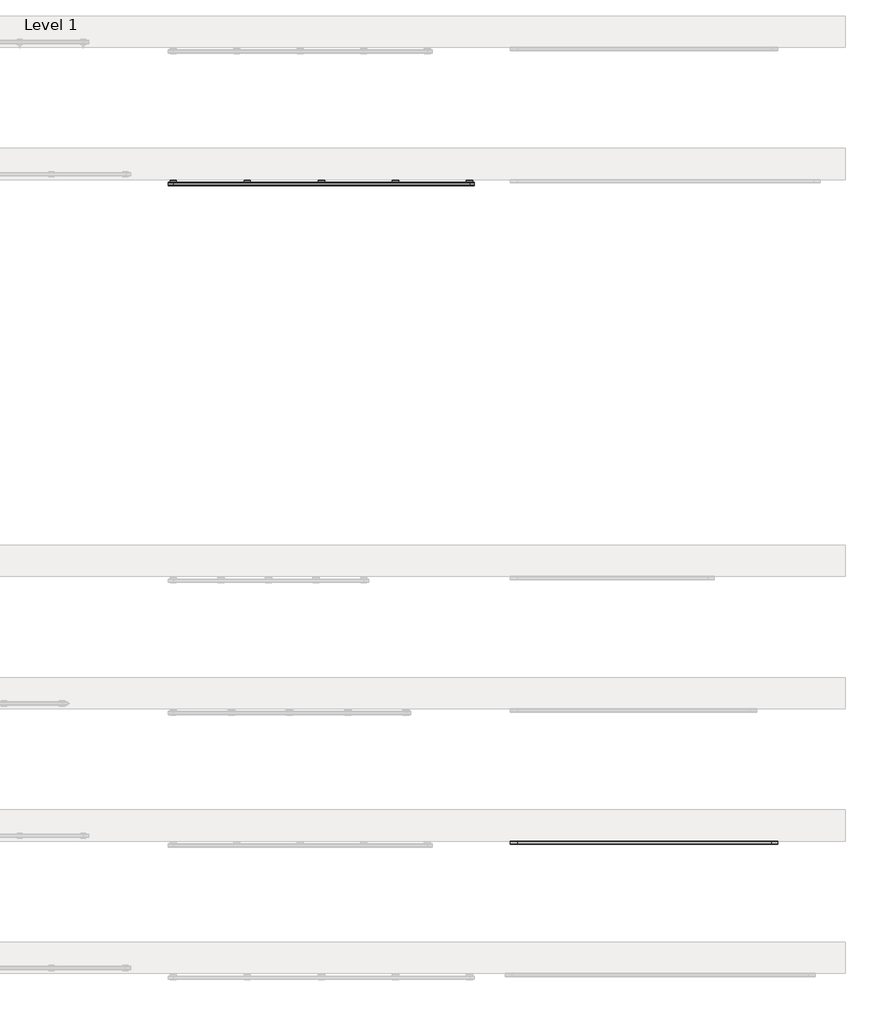
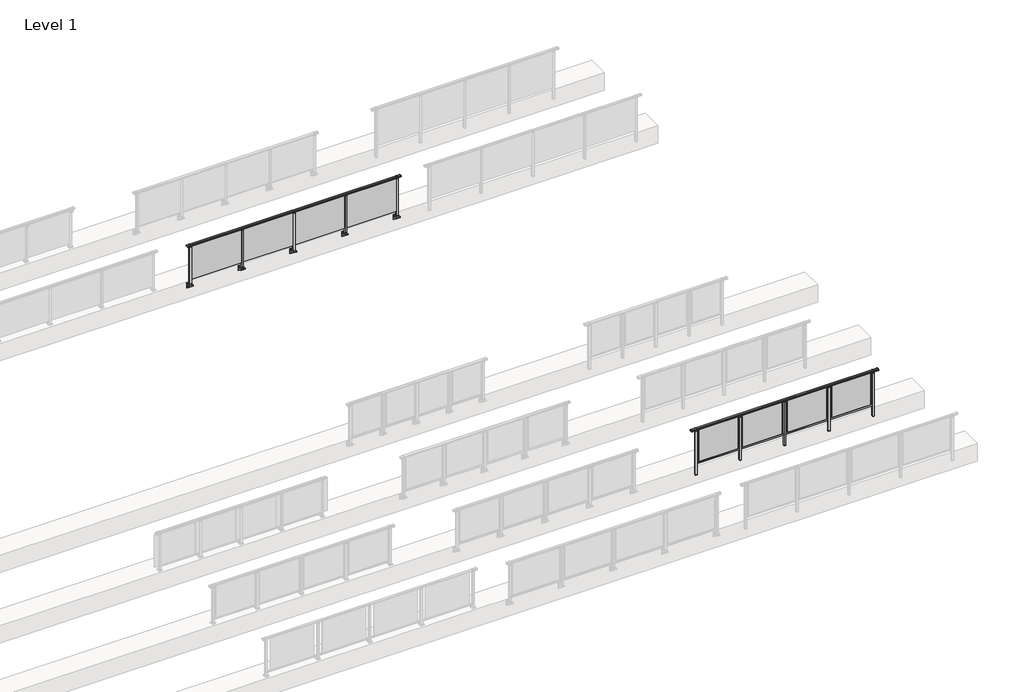
# One storey, part 50 of 64: 2 railings.
"""IFC4 building model written with IfcOpenShell, lengths in millimetres."""

from ifc_helpers import new_model, si_unit, point, frame, frame_2d, origin, place, context, project, spatial, polyline, circle_curve, trimmed, segment, composite_curve, outline, extrude, element, save
from ifc_brep_helpers import plane_surface, cylinder_surface, revolved_surface, advanced_brep

model = new_model("IFC4")

# Units and contexts
model_context = context("Model", 3, world=origin())
ifc_project = project(units=[si_unit("LENGTHUNIT", "METRE", prefix="MILLI")], contexts=[model_context])

# Site, building, storey
site = spatial("IfcSite", under=ifc_project)
building = spatial("IfcBuilding", under=site)
storey = spatial("IfcBuildingStorey", under=building, Name="Level 1", Elevation=0.0)

# Railings
placement = place(None, origin())
element("IfcRailing", 1, at=placement, inside=storey, context=model_context, shape_type="SolidModel", body=[
    advanced_brep(
    [(42910.0, 29842.8633756, 1095.6691182), (42910.0, 29847.6846828, 1081.1334092), (42910.0, 29846.7413744, 1069.2539035), (42910.0, 29848.6364177, 1061.4863007), (42910.0, 29846.9894799, 1060.384124), (42910.0, 29846.9894799, 1062.0), (42910.0, 29788.3798858, 1062.0), (42910.0, 29788.3798858, 1060.384124), (42910.0, 29786.732948, 1061.4863007), (42910.0, 29788.6279912, 1069.2539035), (42910.0, 29787.6846828, 1081.1334092), (42910.0, 29792.50599, 1095.6691182), (48690.0, 29842.8633756, 1095.6691182), (48690.0, 29792.50599, 1095.6691182), (48690.0, 29787.6846828, 1081.1334092), (48690.0, 29788.6279912, 1069.2539035), (48690.0, 29786.732948, 1061.4863007), (48690.0, 29788.3798858, 1060.384124), (48690.0, 29788.3798858, 1062.0), (48690.0, 29846.9894799, 1062.0), (48690.0, 29846.9894799, 1060.384124), (48690.0, 29848.6364177, 1061.4863007), (48690.0, 29846.7413744, 1069.2539035), (48690.0, 29847.6846828, 1081.1334092), (43000.0, 29842.8633756, 1095.6691182), (43000.0, 29847.6846828, 1081.1334092), (43000.0, 29846.7413744, 1069.2539035), (43000.0, 29848.6364177, 1061.4863007), (43000.0, 29846.9894799, 1060.384124), (43000.0, 29846.9894799, 1062.0), (43000.0, 29788.3798858, 1062.0), (43000.0, 29788.3798858, 1060.384124), (43000.0, 29786.732948, 1061.4863007), (43000.0, 29788.6279912, 1069.2539035), (43000.0, 29787.6846828, 1081.1334092), (43000.0, 29792.50599, 1095.6691182), (48600.0, 29842.8633756, 1095.6691182), (48600.0, 29847.6846828, 1081.1334092), (48600.0, 29846.7413744, 1069.2539035), (48600.0, 29848.6364177, 1061.4863007), (48600.0, 29846.9894799, 1060.384124), (48600.0, 29846.9894799, 1062.0), (48600.0, 29788.3798858, 1062.0), (48600.0, 29788.3798858, 1060.384124), (48600.0, 29786.732948, 1061.4863007), (48600.0, 29788.6279912, 1069.2539035), (48600.0, 29787.6846828, 1081.1334092), (48600.0, 29792.50599, 1095.6691182)],
    [
        (0, 1, circle_curve(frame((42910.0, 29839.6223845, 1086.526686), z_axis=(-1.0, 0.0, 0.0), x_axis=(0.0, -1.0, 0.0)), 9.6999015)),
        (1, 2, circle_curve(frame((42910.0, 29865.2252545, 1073.7633709), z_axis=(1.0, 0.0, 0.0), x_axis=(0.0, -1.0, 0.0)), 19.0260117)),
        (2, 3),
        (3, 4, circle_curve(frame((42910.0, 29847.7772073, 1060.9886194), z_axis=(-1.0, 0.0, 0.0), x_axis=(0.0, -1.0, 0.0)), 0.9929396)),
        (4, 5),
        (5, 6),
        (6, 7),
        (7, 8, circle_curve(frame((42910.0, 29787.5921584, 1060.9886194), z_axis=(-1.0, 0.0, 0.0), x_axis=(0.0, 1.0, 0.0)), 0.9929396)),
        (8, 9),
        (9, 10, circle_curve(frame((42910.0, 29770.1441111, 1073.7633709), z_axis=(1.0, 0.0, 0.0), x_axis=(0.0, 1.0, 0.0)), 19.0260117)),
        (10, 11, circle_curve(frame((42910.0, 29795.7469812, 1086.526686), z_axis=(-1.0, 0.0, 0.0), x_axis=(0.0, 1.0, 0.0)), 9.6999015)),
        (11, 0, circle_curve(frame((42910.0, 29817.6846828, 1024.6431628), z_axis=(-1.0, 0.0, 0.0), x_axis=(0.0, 1.0, 0.0)), 75.3568372)),
        (12, 13, circle_curve(frame((48690.0, 29817.6846828, 1024.6431628), z_axis=(1.0, 0.0, 0.0), x_axis=(0.0, 1.0, 0.0)), 75.3568372)),
        (13, 14, circle_curve(frame((48690.0, 29795.7469812, 1086.526686), z_axis=(1.0, 0.0, 0.0), x_axis=(0.0, 1.0, 0.0)), 9.6999015)),
        (14, 15, circle_curve(frame((48690.0, 29770.1441111, 1073.7633709), z_axis=(-1.0, 0.0, 0.0), x_axis=(0.0, 1.0, 0.0)), 19.0260117)),
        (15, 16),
        (16, 17, circle_curve(frame((48690.0, 29787.5921584, 1060.9886194), z_axis=(1.0, 0.0, 0.0), x_axis=(0.0, 1.0, 0.0)), 0.9929396)),
        (17, 18),
        (18, 19),
        (19, 20),
        (20, 21, circle_curve(frame((48690.0, 29847.7772073, 1060.9886194), z_axis=(1.0, 0.0, 0.0), x_axis=(0.0, -1.0, 0.0)), 0.9929396)),
        (21, 22),
        (22, 23, circle_curve(frame((48690.0, 29865.2252545, 1073.7633709), z_axis=(-1.0, 0.0, 0.0), x_axis=(0.0, -1.0, 0.0)), 19.0260117)),
        (23, 12, circle_curve(frame((48690.0, 29839.6223845, 1086.526686), z_axis=(1.0, 0.0, 0.0), x_axis=(0.0, -1.0, 0.0)), 9.6999015)),
        (0, 24),
        (24, 25, circle_curve(frame((43000.0, 29839.6223845, 1086.526686), z_axis=(-1.0, 0.0, 0.0), x_axis=(0.0, -1.0, 0.0)), 9.6999015)),
        (25, 1),
        (25, 26, circle_curve(frame((43000.0, 29865.2252545, 1073.7633709), z_axis=(1.0, 0.0, 0.0), x_axis=(0.0, -1.0, 0.0)), 19.0260117)),
        (26, 2),
        (26, 27),
        (27, 3),
        (27, 28, circle_curve(frame((43000.0, 29847.7772073, 1060.9886194), z_axis=(-1.0, 0.0, 0.0), x_axis=(0.0, -1.0, 0.0)), 0.9929396)),
        (28, 4),
        (28, 29),
        (29, 5),
        (29, 30),
        (30, 6),
        (30, 31),
        (31, 7),
        (31, 32, circle_curve(frame((43000.0, 29787.5921584, 1060.9886194), z_axis=(-1.0, 0.0, 0.0), x_axis=(0.0, 1.0, 0.0)), 0.9929396)),
        (32, 8),
        (32, 33),
        (33, 9),
        (33, 34, circle_curve(frame((43000.0, 29770.1441111, 1073.7633709), z_axis=(1.0, 0.0, 0.0), x_axis=(0.0, 1.0, 0.0)), 19.0260117)),
        (34, 10),
        (34, 35, circle_curve(frame((43000.0, 29795.7469812, 1086.526686), z_axis=(-1.0, 0.0, 0.0), x_axis=(0.0, 1.0, 0.0)), 9.6999015)),
        (35, 11),
        (35, 24, circle_curve(frame((43000.0, 29817.6846828, 1024.6431628), z_axis=(-1.0, 0.0, 0.0), x_axis=(0.0, 1.0, 0.0)), 75.3568372)),
        (24, 36),
        (36, 37, circle_curve(frame((48600.0, 29839.6223845, 1086.526686), z_axis=(-1.0, 0.0, 0.0), x_axis=(0.0, -1.0, 0.0)), 9.6999015)),
        (37, 25),
        (37, 38, circle_curve(frame((48600.0, 29865.2252545, 1073.7633709), z_axis=(1.0, 0.0, 0.0), x_axis=(0.0, -1.0, 0.0)), 19.0260117)),
        (38, 26),
        (38, 39),
        (39, 27),
        (39, 40, circle_curve(frame((48600.0, 29847.7772073, 1060.9886194), z_axis=(-1.0, 0.0, 0.0), x_axis=(0.0, -1.0, 0.0)), 0.9929396)),
        (40, 28),
        (40, 41),
        (41, 29),
        (41, 42),
        (42, 30),
        (42, 43),
        (43, 31),
        (43, 44, circle_curve(frame((48600.0, 29787.5921584, 1060.9886194), z_axis=(-1.0, 0.0, 0.0), x_axis=(0.0, 1.0, 0.0)), 0.9929396)),
        (44, 32),
        (44, 45),
        (45, 33),
        (45, 46, circle_curve(frame((48600.0, 29770.1441111, 1073.7633709), z_axis=(1.0, 0.0, 0.0), x_axis=(0.0, 1.0, 0.0)), 19.0260117)),
        (46, 34),
        (46, 47, circle_curve(frame((48600.0, 29795.7469812, 1086.526686), z_axis=(-1.0, 0.0, 0.0), x_axis=(0.0, 1.0, 0.0)), 9.6999015)),
        (47, 35),
        (47, 36, circle_curve(frame((48600.0, 29817.6846828, 1024.6431628), z_axis=(-1.0, 0.0, 0.0), x_axis=(0.0, 1.0, 0.0)), 75.3568372)),
        (36, 12),
        (23, 37),
        (22, 38),
        (21, 39),
        (20, 40),
        (19, 41),
        (18, 42),
        (17, 43),
        (16, 44),
        (15, 45),
        (14, 46),
        (13, 47),
    ],
    [
        plane_surface(frame((42910.0, 29817.6846828, 1100.0), z_axis=(-1.0, 0.0, 0.0), x_axis=(0.0, 1.0, 0.0))),
        plane_surface(frame((48690.0, 29817.6846828, 1100.0), z_axis=(1.0, 0.0, 0.0), x_axis=(0.0, 1.0, 0.0))),
        cylinder_surface(frame((42910.0, 29839.6223845, 1086.526686), z_axis=(-1.0, 0.0, 0.0), x_axis=(0.0, -1.0, 0.0)), 9.6999015),
        revolved_surface(polyline([(43000.0, 29846.1992428, 1073.7633709), (42910.0, 29846.1992428, 1073.7633709)]), (42910.0, 29865.2252545, 1073.7633709), (1.0, 0.0, 0.0)),
        plane_surface(frame((42910.0, 29846.7413744, 1069.2539035), z_axis=(0.0, 0.9715057689301543, 0.2370159086125439), x_axis=(1.0, 0.0, 0.0))),
        cylinder_surface(frame((42910.0, 29847.7772073, 1060.9886194), z_axis=(-1.0, 0.0, 0.0), x_axis=(0.0, -1.0, 0.0)), 0.9929396),
        plane_surface(frame((42910.0, 29846.9894799, 1060.384124), z_axis=(0.0, -1.0, 0.0), x_axis=(1.0, 0.0, 0.0))),
        plane_surface(frame((42910.0, 29846.9894799, 1062.0), z_axis=(0.0, 0.0, -1.0), x_axis=(1.0, 0.0, 0.0))),
        plane_surface(frame((42910.0, 29788.3798858, 1062.0), z_axis=(0.0, 1.0, 0.0), x_axis=(1.0, 0.0, 0.0))),
        cylinder_surface(frame((42910.0, 29787.5921584, 1060.9886194), z_axis=(-1.0, 0.0, 0.0), x_axis=(0.0, 1.0, 0.0)), 0.9929396),
        plane_surface(frame((42910.0, 29786.732948, 1061.4863007), z_axis=(0.0, -0.9715057689301543, 0.2370159086125439), x_axis=(1.0, 0.0, 0.0))),
        revolved_surface(polyline([(43000.0, 29789.1701228, 1073.7633709), (42910.0, 29789.1701228, 1073.7633709)]), (42910.0, 29770.1441111, 1073.7633709), (1.0, 0.0, 0.0)),
        cylinder_surface(frame((42910.0, 29795.7469812, 1086.526686), z_axis=(-1.0, 0.0, 0.0), x_axis=(0.0, 1.0, 0.0)), 9.6999015),
        cylinder_surface(frame((42910.0, 29817.6846828, 1024.6431628), z_axis=(-1.0, 0.0, 0.0), x_axis=(0.0, 1.0, 0.0)), 75.3568372),
        cylinder_surface(frame((43000.0, 29839.6223845, 1086.526686), z_axis=(-1.0, 0.0, 0.0), x_axis=(0.0, -1.0, 0.0)), 9.6999015),
        revolved_surface(polyline([(48600.0, 29846.1992428, 1073.7633709), (43000.0, 29846.1992428, 1073.7633709)]), (43000.0, 29865.2252545, 1073.7633709), (1.0, 0.0, 0.0)),
        plane_surface(frame((43000.0, 29846.7413744, 1069.2539035), z_axis=(0.0, 0.9715057689301543, 0.2370159086125439), x_axis=(1.0, 0.0, 0.0))),
        cylinder_surface(frame((43000.0, 29847.7772073, 1060.9886194), z_axis=(-1.0, 0.0, 0.0), x_axis=(0.0, -1.0, 0.0)), 0.9929396),
        plane_surface(frame((43000.0, 29846.9894799, 1060.384124), z_axis=(0.0, -1.0, 0.0), x_axis=(1.0, 0.0, 0.0))),
        plane_surface(frame((43000.0, 29846.9894799, 1062.0), z_axis=(0.0, 0.0, -1.0), x_axis=(1.0, 0.0, 0.0))),
        plane_surface(frame((43000.0, 29788.3798858, 1062.0), z_axis=(0.0, 1.0, 0.0), x_axis=(1.0, 0.0, 0.0))),
        cylinder_surface(frame((43000.0, 29787.5921584, 1060.9886194), z_axis=(-1.0, 0.0, 0.0), x_axis=(0.0, 1.0, 0.0)), 0.9929396),
        plane_surface(frame((43000.0, 29786.732948, 1061.4863007), z_axis=(0.0, -0.9715057689301543, 0.2370159086125439), x_axis=(1.0, 0.0, 0.0))),
        revolved_surface(polyline([(48600.0, 29789.1701228, 1073.7633709), (43000.0, 29789.1701228, 1073.7633709)]), (43000.0, 29770.1441111, 1073.7633709), (1.0, 0.0, 0.0)),
        cylinder_surface(frame((43000.0, 29795.7469812, 1086.526686), z_axis=(-1.0, 0.0, 0.0), x_axis=(0.0, 1.0, 0.0)), 9.6999015),
        cylinder_surface(frame((43000.0, 29817.6846828, 1024.6431628), z_axis=(-1.0, 0.0, 0.0), x_axis=(0.0, 1.0, 0.0)), 75.3568372),
        cylinder_surface(frame((48600.0, 29839.6223845, 1086.526686), z_axis=(-1.0, 0.0, 0.0), x_axis=(0.0, -1.0, 0.0)), 9.6999015),
        revolved_surface(polyline([(48690.0, 29846.1992428, 1073.7633709), (48600.0, 29846.1992428, 1073.7633709)]), (48600.0, 29865.2252545, 1073.7633709), (1.0, 0.0, 0.0)),
        plane_surface(frame((48600.0, 29846.7413744, 1069.2539035), z_axis=(0.0, 0.9715057689301543, 0.2370159086125439), x_axis=(1.0, 0.0, 0.0))),
        cylinder_surface(frame((48600.0, 29847.7772073, 1060.9886194), z_axis=(-1.0, 0.0, 0.0), x_axis=(0.0, -1.0, 0.0)), 0.9929396),
        plane_surface(frame((48600.0, 29846.9894799, 1060.384124), z_axis=(0.0, -1.0, 0.0), x_axis=(1.0, 0.0, 0.0))),
        plane_surface(frame((48600.0, 29846.9894799, 1062.0), z_axis=(0.0, 0.0, -1.0), x_axis=(1.0, 0.0, 0.0))),
        plane_surface(frame((48600.0, 29788.3798858, 1062.0), z_axis=(0.0, 1.0, 0.0), x_axis=(1.0, 0.0, 0.0))),
        cylinder_surface(frame((48600.0, 29787.5921584, 1060.9886194), z_axis=(-1.0, 0.0, 0.0), x_axis=(0.0, 1.0, 0.0)), 0.9929396),
        plane_surface(frame((48600.0, 29786.732948, 1061.4863007), z_axis=(0.0, -0.9715057689301543, 0.2370159086125439), x_axis=(1.0, 0.0, 0.0))),
        revolved_surface(polyline([(48690.0, 29789.1701228, 1073.7633709), (48600.0, 29789.1701228, 1073.7633709)]), (48600.0, 29770.1441111, 1073.7633709), (1.0, 0.0, 0.0)),
        cylinder_surface(frame((48600.0, 29795.7469812, 1086.526686), z_axis=(-1.0, 0.0, 0.0), x_axis=(0.0, 1.0, 0.0)), 9.6999015),
        cylinder_surface(frame((48600.0, 29817.6846828, 1024.6431628), z_axis=(-1.0, 0.0, 0.0), x_axis=(0.0, 1.0, 0.0)), 75.3568372),
    ],
    [
        (0, [[1, 2, 3, 4, 5, 6, 7, 8, 9, 10, 11, 12]]),
        (1, [[13, 14, 15, 16, 17, 18, 19, 20, 21, 22, 23, 24]]),
        (2, [[-1, 25, 26, 27]]),
        (3, [[-2, -27, 28, 29]]),
        (4, [[-3, -29, 30, 31]]),
        (5, [[-4, -31, 32, 33]]),
        (6, [[-5, -33, 34, 35]]),
        (7, [[-6, -35, 36, 37]]),
        (8, [[-7, -37, 38, 39]]),
        (9, [[-8, -39, 40, 41]]),
        (10, [[-9, -41, 42, 43]]),
        (11, [[-10, -43, 44, 45]]),
        (12, [[-11, -45, 46, 47]]),
        (13, [[-12, -47, 48, -25]]),
        (14, [[-26, 49, 50, 51]]),
        (15, [[-28, -51, 52, 53]]),
        (16, [[-30, -53, 54, 55]]),
        (17, [[-32, -55, 56, 57]]),
        (18, [[-34, -57, 58, 59]]),
        (19, [[-36, -59, 60, 61]]),
        (20, [[-38, -61, 62, 63]]),
        (21, [[-40, -63, 64, 65]]),
        (22, [[-42, -65, 66, 67]]),
        (23, [[-44, -67, 68, 69]]),
        (24, [[-46, -69, 70, 71]]),
        (25, [[-48, -71, 72, -49]]),
        (26, [[-50, 73, -24, 74]]),
        (27, [[-52, -74, -23, 75]]),
        (28, [[-54, -75, -22, 76]]),
        (29, [[-56, -76, -21, 77]]),
        (30, [[-58, -77, -20, 78]]),
        (31, [[-60, -78, -19, 79]]),
        (32, [[-62, -79, -18, 80]]),
        (33, [[-64, -80, -17, 81]]),
        (34, [[-66, -81, -16, 82]]),
        (35, [[-68, -82, -15, 83]]),
        (36, [[-70, -83, -14, 84]]),
        (37, [[-72, -84, -13, -73]]),
    ],
),
    extrude(outline(polyline([(47210.0, 29811.9094929), (47210.0, 29821.9094929), (48590.0, 29821.9094929), (48590.0, 29811.9094929), (47210.0, 29811.9094929)])), frame((0.0, 0.0, 95.0), z_axis=(0.0, 0.0, 1.0), x_axis=(1.0, 0.0, 0.0)), (0.0, 0.0, 1.0), 960.0),
    extrude(outline(composite_curve([segment(polyline([(29850.1846828, -70.0), (29884.1846828, -63.0), (29884.1846828, -32.5), (29900.1846828, -32.5), (29900.1846828, -167.5), (29884.1846828, -167.5), (29884.1846828, -113.5)]), True, "CONTINUOUS"), segment(trimmed(circle_curve(frame_2d((29864.1846828, -113.5)), 20.0), [point((29884.1846828, -113.5))], [point((29864.1846828, -93.5))], True, "CARTESIAN"), True, "CONTINUOUS"), segment(polyline([(29864.1846828, -93.5), (29780.1846828, -93.5), (29780.1846828, -70.0), (29850.1846828, -70.0)]), True, "CONTINUOUS")], self_intersect=False)), frame((47140.0, 0.0, 0.0), z_axis=(1.0, 0.0, 0.0), x_axis=(0.0, 1.0, 0.0)), (0.0, 0.0, 1.0), 120.0),
    extrude(outline(polyline([(47222.5, 29840.1846828), (47222.5, 29795.1846828), (47177.5, 29795.1846828), (47177.5, 29840.1846828), (47222.5, 29840.1846828)])), frame((0.0, 0.0, -70.0), z_axis=(0.0, 0.0, 1.0), x_axis=(1.0, 0.0, 0.0)), (0.0, 0.0, 1.0), 1097.0),
    extrude(outline(polyline([(47210.0, 29827.6846828), (47210.0, 29807.6846828), (47190.0, 29807.6846828), (47190.0, 29827.6846828), (47210.0, 29827.6846828)])), frame((0.0, 0.0, 1035.0), z_axis=(0.0, 0.0, 1.0), x_axis=(1.0, 0.0, 0.0)), (0.0, 0.0, 1.0), 20.0),
    extrude(outline(polyline([(47222.5, 29840.1846828), (47222.5, 29795.1846828), (47177.5, 29795.1846828), (47177.5, 29840.1846828), (47222.5, 29840.1846828)])), frame((0.0, 0.0, 1027.0), z_axis=(0.0, 0.0, 1.0), x_axis=(1.0, 0.0, 0.0)), (0.0, 0.0, 1.0), 8.0),
    extrude(outline(polyline([(45810.0, 29811.9094929), (45810.0, 29821.9094929), (47190.0, 29821.9094929), (47190.0, 29811.9094929), (45810.0, 29811.9094929)])), frame((0.0, 0.0, 95.0), z_axis=(0.0, 0.0, 1.0), x_axis=(1.0, 0.0, 0.0)), (0.0, 0.0, 1.0), 960.0),
    extrude(outline(composite_curve([segment(polyline([(29850.1846828, -70.0), (29884.1846828, -63.0), (29884.1846828, -32.5), (29900.1846828, -32.5), (29900.1846828, -167.5), (29884.1846828, -167.5), (29884.1846828, -113.5)]), True, "CONTINUOUS"), segment(trimmed(circle_curve(frame_2d((29864.1846828, -113.5)), 20.0), [point((29884.1846828, -113.5))], [point((29864.1846828, -93.5))], True, "CARTESIAN"), True, "CONTINUOUS"), segment(polyline([(29864.1846828, -93.5), (29780.1846828, -93.5), (29780.1846828, -70.0), (29850.1846828, -70.0)]), True, "CONTINUOUS")], self_intersect=False)), frame((45740.0, 0.0, 0.0), z_axis=(1.0, 0.0, 0.0), x_axis=(0.0, 1.0, 0.0)), (0.0, 0.0, 1.0), 120.0),
    extrude(outline(polyline([(45822.5, 29840.1846828), (45822.5, 29795.1846828), (45777.5, 29795.1846828), (45777.5, 29840.1846828), (45822.5, 29840.1846828)])), frame((0.0, 0.0, -70.0), z_axis=(0.0, 0.0, 1.0), x_axis=(1.0, 0.0, 0.0)), (0.0, 0.0, 1.0), 1097.0),
    extrude(outline(polyline([(45810.0, 29827.6846828), (45810.0, 29807.6846828), (45790.0, 29807.6846828), (45790.0, 29827.6846828), (45810.0, 29827.6846828)])), frame((0.0, 0.0, 1035.0), z_axis=(0.0, 0.0, 1.0), x_axis=(1.0, 0.0, 0.0)), (0.0, 0.0, 1.0), 20.0),
    extrude(outline(polyline([(45822.5, 29840.1846828), (45822.5, 29795.1846828), (45777.5, 29795.1846828), (45777.5, 29840.1846828), (45822.5, 29840.1846828)])), frame((0.0, 0.0, 1027.0), z_axis=(0.0, 0.0, 1.0), x_axis=(1.0, 0.0, 0.0)), (0.0, 0.0, 1.0), 8.0),
    extrude(outline(polyline([(44410.0, 29811.9094929), (44410.0, 29821.9094929), (45790.0, 29821.9094929), (45790.0, 29811.9094929), (44410.0, 29811.9094929)])), frame((0.0, 0.0, 95.0), z_axis=(0.0, 0.0, 1.0), x_axis=(1.0, 0.0, 0.0)), (0.0, 0.0, 1.0), 960.0),
    extrude(outline(composite_curve([segment(polyline([(29850.1846828, -70.0), (29884.1846828, -63.0), (29884.1846828, -32.5), (29900.1846828, -32.5), (29900.1846828, -167.5), (29884.1846828, -167.5), (29884.1846828, -113.5)]), True, "CONTINUOUS"), segment(trimmed(circle_curve(frame_2d((29864.1846828, -113.5)), 20.0), [point((29884.1846828, -113.5))], [point((29864.1846828, -93.5))], True, "CARTESIAN"), True, "CONTINUOUS"), segment(polyline([(29864.1846828, -93.5), (29780.1846828, -93.5), (29780.1846828, -70.0), (29850.1846828, -70.0)]), True, "CONTINUOUS")], self_intersect=False)), frame((44340.0, 0.0, 0.0), z_axis=(1.0, 0.0, 0.0), x_axis=(0.0, 1.0, 0.0)), (0.0, 0.0, 1.0), 120.0),
    extrude(outline(polyline([(44422.5, 29840.1846828), (44422.5, 29795.1846828), (44377.5, 29795.1846828), (44377.5, 29840.1846828), (44422.5, 29840.1846828)])), frame((0.0, 0.0, -70.0), z_axis=(0.0, 0.0, 1.0), x_axis=(1.0, 0.0, 0.0)), (0.0, 0.0, 1.0), 1097.0),
    extrude(outline(polyline([(44410.0, 29827.6846828), (44410.0, 29807.6846828), (44390.0, 29807.6846828), (44390.0, 29827.6846828), (44410.0, 29827.6846828)])), frame((0.0, 0.0, 1035.0), z_axis=(0.0, 0.0, 1.0), x_axis=(1.0, 0.0, 0.0)), (0.0, 0.0, 1.0), 20.0),
    extrude(outline(polyline([(44422.5, 29840.1846828), (44422.5, 29795.1846828), (44377.5, 29795.1846828), (44377.5, 29840.1846828), (44422.5, 29840.1846828)])), frame((0.0, 0.0, 1027.0), z_axis=(0.0, 0.0, 1.0), x_axis=(1.0, 0.0, 0.0)), (0.0, 0.0, 1.0), 8.0),
    extrude(outline(polyline([(43010.0, 29811.9094929), (43010.0, 29821.9094929), (44390.0, 29821.9094929), (44390.0, 29811.9094929), (43010.0, 29811.9094929)])), frame((0.0, 0.0, 95.0), z_axis=(0.0, 0.0, 1.0), x_axis=(1.0, 0.0, 0.0)), (0.0, 0.0, 1.0), 960.0),
    extrude(outline(composite_curve([segment(polyline([(29850.1846828, -70.0), (29884.1846828, -63.0), (29884.1846828, -32.5), (29900.1846828, -32.5), (29900.1846828, -167.5), (29884.1846828, -167.5), (29884.1846828, -113.5)]), True, "CONTINUOUS"), segment(trimmed(circle_curve(frame_2d((29864.1846828, -113.5)), 20.0), [point((29884.1846828, -113.5))], [point((29864.1846828, -93.5))], True, "CARTESIAN"), True, "CONTINUOUS"), segment(polyline([(29864.1846828, -93.5), (29780.1846828, -93.5), (29780.1846828, -70.0), (29850.1846828, -70.0)]), True, "CONTINUOUS")], self_intersect=False)), frame((48540.0, 0.0, 0.0), z_axis=(1.0, 0.0, 0.0), x_axis=(0.0, 1.0, 0.0)), (0.0, 0.0, 1.0), 120.0),
    extrude(outline(polyline([(48622.5, 29840.1846828), (48622.5, 29795.1846828), (48577.5, 29795.1846828), (48577.5, 29840.1846828), (48622.5, 29840.1846828)])), frame((0.0, 0.0, -70.0), z_axis=(0.0, 0.0, 1.0), x_axis=(1.0, 0.0, 0.0)), (0.0, 0.0, 1.0), 1097.0),
    extrude(outline(polyline([(48610.0, 29827.6846828), (48610.0, 29807.6846828), (48590.0, 29807.6846828), (48590.0, 29827.6846828), (48610.0, 29827.6846828)])), frame((0.0, 0.0, 1035.0), z_axis=(0.0, 0.0, 1.0), x_axis=(1.0, 0.0, 0.0)), (0.0, 0.0, 1.0), 20.0),
    extrude(outline(polyline([(48622.5, 29840.1846828), (48622.5, 29795.1846828), (48577.5, 29795.1846828), (48577.5, 29840.1846828), (48622.5, 29840.1846828)])), frame((0.0, 0.0, 1027.0), z_axis=(0.0, 0.0, 1.0), x_axis=(1.0, 0.0, 0.0)), (0.0, 0.0, 1.0), 8.0),
    extrude(outline(composite_curve([segment(polyline([(29850.1846828, -70.0), (29884.1846828, -63.0), (29884.1846828, -32.5), (29900.1846828, -32.5), (29900.1846828, -167.5), (29884.1846828, -167.5), (29884.1846828, -113.5)]), True, "CONTINUOUS"), segment(trimmed(circle_curve(frame_2d((29864.1846828, -113.5)), 20.0), [point((29884.1846828, -113.5))], [point((29864.1846828, -93.5))], True, "CARTESIAN"), True, "CONTINUOUS"), segment(polyline([(29864.1846828, -93.5), (29780.1846828, -93.5), (29780.1846828, -70.0), (29850.1846828, -70.0)]), True, "CONTINUOUS")], self_intersect=False)), frame((42940.0, 0.0, 0.0), z_axis=(1.0, 0.0, 0.0), x_axis=(0.0, 1.0, 0.0)), (0.0, 0.0, 1.0), 120.0),
    extrude(outline(polyline([(43022.5, 29840.1846828), (43022.5, 29795.1846828), (42977.5, 29795.1846828), (42977.5, 29840.1846828), (43022.5, 29840.1846828)])), frame((0.0, 0.0, -70.0), z_axis=(0.0, 0.0, 1.0), x_axis=(1.0, 0.0, 0.0)), (0.0, 0.0, 1.0), 1097.0),
    extrude(outline(polyline([(43010.0, 29827.6846828), (43010.0, 29807.6846828), (42990.0, 29807.6846828), (42990.0, 29827.6846828), (43010.0, 29827.6846828)])), frame((0.0, 0.0, 1035.0), z_axis=(0.0, 0.0, 1.0), x_axis=(1.0, 0.0, 0.0)), (0.0, 0.0, 1.0), 20.0),
    extrude(outline(polyline([(43022.5, 29840.1846828), (43022.5, 29795.1846828), (42977.5, 29795.1846828), (42977.5, 29840.1846828), (43022.5, 29840.1846828)])), frame((0.0, 0.0, 1027.0), z_axis=(0.0, 0.0, 1.0), x_axis=(1.0, 0.0, 0.0)), (0.0, 0.0, 1.0), 8.0),
])
element("IfcRailing", 2, at=placement, inside=storey, context=model_context, shape_type="SolidModel", body=[
    advanced_brep(
    [(49372.5, 17392.8633756, 1095.6691182), (49372.5, 17397.6846828, 1081.1334092), (49372.5, 17396.7413744, 1069.2539035), (49372.5, 17398.6364177, 1061.4863007), (49372.5, 17396.9894799, 1060.384124), (49372.5, 17396.9894799, 1062.0), (49372.5, 17338.3798858, 1062.0), (49372.5, 17338.3798858, 1060.384124), (49372.5, 17336.732948, 1061.4863007), (49372.5, 17338.6279912, 1069.2539035), (49372.5, 17337.6846828, 1081.1334092), (49372.5, 17342.50599, 1095.6691182), (54427.5, 17392.8633756, 1095.6691182), (54427.5, 17342.50599, 1095.6691182), (54427.5, 17337.6846828, 1081.1334092), (54427.5, 17338.6279912, 1069.2539035), (54427.5, 17336.732948, 1061.4863007), (54427.5, 17338.3798858, 1060.384124), (54427.5, 17338.3798858, 1062.0), (54427.5, 17396.9894799, 1062.0), (54427.5, 17396.9894799, 1060.384124), (54427.5, 17398.6364177, 1061.4863007), (54427.5, 17396.7413744, 1069.2539035), (54427.5, 17397.6846828, 1081.1334092), (49500.0, 17392.8633756, 1095.6691182), (49500.0, 17397.6846828, 1081.1334092), (49500.0, 17396.7413744, 1069.2539035), (49500.0, 17398.6364177, 1061.4863007), (49500.0, 17396.9894799, 1060.384124), (49500.0, 17396.9894799, 1062.0), (49500.0, 17338.3798858, 1062.0), (49500.0, 17338.3798858, 1060.384124), (49500.0, 17336.732948, 1061.4863007), (49500.0, 17338.6279912, 1069.2539035), (49500.0, 17337.6846828, 1081.1334092), (49500.0, 17342.50599, 1095.6691182), (54300.0, 17392.8633756, 1095.6691182), (54300.0, 17397.6846828, 1081.1334092), (54300.0, 17396.7413744, 1069.2539035), (54300.0, 17398.6364177, 1061.4863007), (54300.0, 17396.9894799, 1060.384124), (54300.0, 17396.9894799, 1062.0), (54300.0, 17338.3798858, 1062.0), (54300.0, 17338.3798858, 1060.384124), (54300.0, 17336.732948, 1061.4863007), (54300.0, 17338.6279912, 1069.2539035), (54300.0, 17337.6846828, 1081.1334092), (54300.0, 17342.50599, 1095.6691182)],
    [
        (0, 1, circle_curve(frame((49372.5, 17389.6223845, 1086.526686), z_axis=(-1.0, 0.0, 0.0), x_axis=(0.0, -1.0, 0.0)), 9.6999015)),
        (1, 2, circle_curve(frame((49372.5, 17415.2252545, 1073.7633709), z_axis=(1.0, 0.0, 0.0), x_axis=(0.0, -1.0, 0.0)), 19.0260117)),
        (2, 3),
        (3, 4, circle_curve(frame((49372.5, 17397.7772073, 1060.9886194), z_axis=(-1.0, 0.0, 0.0), x_axis=(0.0, -1.0, 0.0)), 0.9929396)),
        (4, 5),
        (5, 6),
        (6, 7),
        (7, 8, circle_curve(frame((49372.5, 17337.5921584, 1060.9886194), z_axis=(-1.0, 0.0, 0.0), x_axis=(0.0, 1.0, 0.0)), 0.9929396)),
        (8, 9),
        (9, 10, circle_curve(frame((49372.5, 17320.1441111, 1073.7633709), z_axis=(1.0, 0.0, 0.0), x_axis=(0.0, 1.0, 0.0)), 19.0260117)),
        (10, 11, circle_curve(frame((49372.5, 17345.7469812, 1086.526686), z_axis=(-1.0, 0.0, 0.0), x_axis=(0.0, 1.0, 0.0)), 9.6999015)),
        (11, 0, circle_curve(frame((49372.5, 17367.6846828, 1024.6431628), z_axis=(-1.0, 0.0, 0.0), x_axis=(0.0, 1.0, 0.0)), 75.3568372)),
        (12, 13, circle_curve(frame((54427.5, 17367.6846828, 1024.6431628), z_axis=(1.0, 0.0, 0.0), x_axis=(0.0, 1.0, 0.0)), 75.3568372)),
        (13, 14, circle_curve(frame((54427.5, 17345.7469812, 1086.526686), z_axis=(1.0, 0.0, 0.0), x_axis=(0.0, 1.0, 0.0)), 9.6999015)),
        (14, 15, circle_curve(frame((54427.5, 17320.1441111, 1073.7633709), z_axis=(-1.0, 0.0, 0.0), x_axis=(0.0, 1.0, 0.0)), 19.0260117)),
        (15, 16),
        (16, 17, circle_curve(frame((54427.5, 17337.5921584, 1060.9886194), z_axis=(1.0, 0.0, 0.0), x_axis=(0.0, 1.0, 0.0)), 0.9929396)),
        (17, 18),
        (18, 19),
        (19, 20),
        (20, 21, circle_curve(frame((54427.5, 17397.7772073, 1060.9886194), z_axis=(1.0, 0.0, 0.0), x_axis=(0.0, -1.0, 0.0)), 0.9929396)),
        (21, 22),
        (22, 23, circle_curve(frame((54427.5, 17415.2252545, 1073.7633709), z_axis=(-1.0, 0.0, 0.0), x_axis=(0.0, -1.0, 0.0)), 19.0260117)),
        (23, 12, circle_curve(frame((54427.5, 17389.6223845, 1086.526686), z_axis=(1.0, 0.0, 0.0), x_axis=(0.0, -1.0, 0.0)), 9.6999015)),
        (0, 24),
        (24, 25, circle_curve(frame((49500.0, 17389.6223845, 1086.526686), z_axis=(-1.0, 0.0, 0.0), x_axis=(0.0, -1.0, 0.0)), 9.6999015)),
        (25, 1),
        (25, 26, circle_curve(frame((49500.0, 17415.2252545, 1073.7633709), z_axis=(1.0, 0.0, 0.0), x_axis=(0.0, -1.0, 0.0)), 19.0260117)),
        (26, 2),
        (26, 27),
        (27, 3),
        (27, 28, circle_curve(frame((49500.0, 17397.7772073, 1060.9886194), z_axis=(-1.0, 0.0, 0.0), x_axis=(0.0, -1.0, 0.0)), 0.9929396)),
        (28, 4),
        (28, 29),
        (29, 5),
        (29, 30),
        (30, 6),
        (30, 31),
        (31, 7),
        (31, 32, circle_curve(frame((49500.0, 17337.5921584, 1060.9886194), z_axis=(-1.0, 0.0, 0.0), x_axis=(0.0, 1.0, 0.0)), 0.9929396)),
        (32, 8),
        (32, 33),
        (33, 9),
        (33, 34, circle_curve(frame((49500.0, 17320.1441111, 1073.7633709), z_axis=(1.0, 0.0, 0.0), x_axis=(0.0, 1.0, 0.0)), 19.0260117)),
        (34, 10),
        (34, 35, circle_curve(frame((49500.0, 17345.7469812, 1086.526686), z_axis=(-1.0, 0.0, 0.0), x_axis=(0.0, 1.0, 0.0)), 9.6999015)),
        (35, 11),
        (35, 24, circle_curve(frame((49500.0, 17367.6846828, 1024.6431628), z_axis=(-1.0, 0.0, 0.0), x_axis=(0.0, 1.0, 0.0)), 75.3568372)),
        (24, 36),
        (36, 37, circle_curve(frame((54300.0, 17389.6223845, 1086.526686), z_axis=(-1.0, 0.0, 0.0), x_axis=(0.0, -1.0, 0.0)), 9.6999015)),
        (37, 25),
        (37, 38, circle_curve(frame((54300.0, 17415.2252545, 1073.7633709), z_axis=(1.0, 0.0, 0.0), x_axis=(0.0, -1.0, 0.0)), 19.0260117)),
        (38, 26),
        (38, 39),
        (39, 27),
        (39, 40, circle_curve(frame((54300.0, 17397.7772073, 1060.9886194), z_axis=(-1.0, 0.0, 0.0), x_axis=(0.0, -1.0, 0.0)), 0.9929396)),
        (40, 28),
        (40, 41),
        (41, 29),
        (41, 42),
        (42, 30),
        (42, 43),
        (43, 31),
        (43, 44, circle_curve(frame((54300.0, 17337.5921584, 1060.9886194), z_axis=(-1.0, 0.0, 0.0), x_axis=(0.0, 1.0, 0.0)), 0.9929396)),
        (44, 32),
        (44, 45),
        (45, 33),
        (45, 46, circle_curve(frame((54300.0, 17320.1441111, 1073.7633709), z_axis=(1.0, 0.0, 0.0), x_axis=(0.0, 1.0, 0.0)), 19.0260117)),
        (46, 34),
        (46, 47, circle_curve(frame((54300.0, 17345.7469812, 1086.526686), z_axis=(-1.0, 0.0, 0.0), x_axis=(0.0, 1.0, 0.0)), 9.6999015)),
        (47, 35),
        (47, 36, circle_curve(frame((54300.0, 17367.6846828, 1024.6431628), z_axis=(-1.0, 0.0, 0.0), x_axis=(0.0, 1.0, 0.0)), 75.3568372)),
        (36, 12),
        (23, 37),
        (22, 38),
        (21, 39),
        (20, 40),
        (19, 41),
        (18, 42),
        (17, 43),
        (16, 44),
        (15, 45),
        (14, 46),
        (13, 47),
    ],
    [
        plane_surface(frame((49372.5, 17367.6846828, 1100.0), z_axis=(-1.0, 0.0, 0.0), x_axis=(0.0, 1.0, 0.0))),
        plane_surface(frame((54427.5, 17367.6846828, 1100.0), z_axis=(1.0, 0.0, 0.0), x_axis=(0.0, 1.0, 0.0))),
        cylinder_surface(frame((49372.5, 17389.6223845, 1086.526686), z_axis=(-1.0, 0.0, 0.0), x_axis=(0.0, -1.0, 0.0)), 9.6999015),
        revolved_surface(polyline([(49500.0, 17396.1992428, 1073.7633709), (49372.5, 17396.1992428, 1073.7633709)]), (49372.5, 17415.2252545, 1073.7633709), (1.0, 0.0, 0.0)),
        plane_surface(frame((49372.5, 17396.7413744, 1069.2539035), z_axis=(0.0, 0.9715057689301543, 0.2370159086125439), x_axis=(1.0, 0.0, 0.0))),
        cylinder_surface(frame((49372.5, 17397.7772073, 1060.9886194), z_axis=(-1.0, 0.0, 0.0), x_axis=(0.0, -1.0, 0.0)), 0.9929396),
        plane_surface(frame((49372.5, 17396.9894799, 1060.384124), z_axis=(0.0, -1.0, 0.0), x_axis=(1.0, 0.0, 0.0))),
        plane_surface(frame((49372.5, 17396.9894799, 1062.0), z_axis=(0.0, 0.0, -1.0), x_axis=(1.0, 0.0, 0.0))),
        plane_surface(frame((49372.5, 17338.3798858, 1062.0), z_axis=(0.0, 1.0, 0.0), x_axis=(1.0, 0.0, 0.0))),
        cylinder_surface(frame((49372.5, 17337.5921584, 1060.9886194), z_axis=(-1.0, 0.0, 0.0), x_axis=(0.0, 1.0, 0.0)), 0.9929396),
        plane_surface(frame((49372.5, 17336.732948, 1061.4863007), z_axis=(0.0, -0.9715057689301543, 0.2370159086125439), x_axis=(1.0, 0.0, 0.0))),
        revolved_surface(polyline([(49500.0, 17339.1701228, 1073.7633709), (49372.5, 17339.1701228, 1073.7633709)]), (49372.5, 17320.1441111, 1073.7633709), (1.0, 0.0, 0.0)),
        cylinder_surface(frame((49372.5, 17345.7469812, 1086.526686), z_axis=(-1.0, 0.0, 0.0), x_axis=(0.0, 1.0, 0.0)), 9.6999015),
        cylinder_surface(frame((49372.5, 17367.6846828, 1024.6431628), z_axis=(-1.0, 0.0, 0.0), x_axis=(0.0, 1.0, 0.0)), 75.3568372),
        cylinder_surface(frame((49500.0, 17389.6223845, 1086.526686), z_axis=(-1.0, 0.0, 0.0), x_axis=(0.0, -1.0, 0.0)), 9.6999015),
        revolved_surface(polyline([(54300.0, 17396.1992428, 1073.7633709), (49500.0, 17396.1992428, 1073.7633709)]), (49500.0, 17415.2252545, 1073.7633709), (1.0, 0.0, 0.0)),
        plane_surface(frame((49500.0, 17396.7413744, 1069.2539035), z_axis=(0.0, 0.9715057689301543, 0.2370159086125439), x_axis=(1.0, 0.0, 0.0))),
        cylinder_surface(frame((49500.0, 17397.7772073, 1060.9886194), z_axis=(-1.0, 0.0, 0.0), x_axis=(0.0, -1.0, 0.0)), 0.9929396),
        plane_surface(frame((49500.0, 17396.9894799, 1060.384124), z_axis=(0.0, -1.0, 0.0), x_axis=(1.0, 0.0, 0.0))),
        plane_surface(frame((49500.0, 17396.9894799, 1062.0), z_axis=(0.0, 0.0, -1.0), x_axis=(1.0, 0.0, 0.0))),
        plane_surface(frame((49500.0, 17338.3798858, 1062.0), z_axis=(0.0, 1.0, 0.0), x_axis=(1.0, 0.0, 0.0))),
        cylinder_surface(frame((49500.0, 17337.5921584, 1060.9886194), z_axis=(-1.0, 0.0, 0.0), x_axis=(0.0, 1.0, 0.0)), 0.9929396),
        plane_surface(frame((49500.0, 17336.732948, 1061.4863007), z_axis=(0.0, -0.9715057689301543, 0.2370159086125439), x_axis=(1.0, 0.0, 0.0))),
        revolved_surface(polyline([(54300.0, 17339.1701228, 1073.7633709), (49500.0, 17339.1701228, 1073.7633709)]), (49500.0, 17320.1441111, 1073.7633709), (1.0, 0.0, 0.0)),
        cylinder_surface(frame((49500.0, 17345.7469812, 1086.526686), z_axis=(-1.0, 0.0, 0.0), x_axis=(0.0, 1.0, 0.0)), 9.6999015),
        cylinder_surface(frame((49500.0, 17367.6846828, 1024.6431628), z_axis=(-1.0, 0.0, 0.0), x_axis=(0.0, 1.0, 0.0)), 75.3568372),
        cylinder_surface(frame((54300.0, 17389.6223845, 1086.526686), z_axis=(-1.0, 0.0, 0.0), x_axis=(0.0, -1.0, 0.0)), 9.6999015),
        revolved_surface(polyline([(54427.5, 17396.1992428, 1073.7633709), (54300.0, 17396.1992428, 1073.7633709)]), (54300.0, 17415.2252545, 1073.7633709), (1.0, 0.0, 0.0)),
        plane_surface(frame((54300.0, 17396.7413744, 1069.2539035), z_axis=(0.0, 0.9715057689301543, 0.2370159086125439), x_axis=(1.0, 0.0, 0.0))),
        cylinder_surface(frame((54300.0, 17397.7772073, 1060.9886194), z_axis=(-1.0, 0.0, 0.0), x_axis=(0.0, -1.0, 0.0)), 0.9929396),
        plane_surface(frame((54300.0, 17396.9894799, 1060.384124), z_axis=(0.0, -1.0, 0.0), x_axis=(1.0, 0.0, 0.0))),
        plane_surface(frame((54300.0, 17396.9894799, 1062.0), z_axis=(0.0, 0.0, -1.0), x_axis=(1.0, 0.0, 0.0))),
        plane_surface(frame((54300.0, 17338.3798858, 1062.0), z_axis=(0.0, 1.0, 0.0), x_axis=(1.0, 0.0, 0.0))),
        cylinder_surface(frame((54300.0, 17337.5921584, 1060.9886194), z_axis=(-1.0, 0.0, 0.0), x_axis=(0.0, 1.0, 0.0)), 0.9929396),
        plane_surface(frame((54300.0, 17336.732948, 1061.4863007), z_axis=(0.0, -0.9715057689301543, 0.2370159086125439), x_axis=(1.0, 0.0, 0.0))),
        revolved_surface(polyline([(54427.5, 17339.1701228, 1073.7633709), (54300.0, 17339.1701228, 1073.7633709)]), (54300.0, 17320.1441111, 1073.7633709), (1.0, 0.0, 0.0)),
        cylinder_surface(frame((54300.0, 17345.7469812, 1086.526686), z_axis=(-1.0, 0.0, 0.0), x_axis=(0.0, 1.0, 0.0)), 9.6999015),
        cylinder_surface(frame((54300.0, 17367.6846828, 1024.6431628), z_axis=(-1.0, 0.0, 0.0), x_axis=(0.0, 1.0, 0.0)), 75.3568372),
    ],
    [
        (0, [[1, 2, 3, 4, 5, 6, 7, 8, 9, 10, 11, 12]]),
        (1, [[13, 14, 15, 16, 17, 18, 19, 20, 21, 22, 23, 24]]),
        (2, [[-1, 25, 26, 27]]),
        (3, [[-2, -27, 28, 29]]),
        (4, [[-3, -29, 30, 31]]),
        (5, [[-4, -31, 32, 33]]),
        (6, [[-5, -33, 34, 35]]),
        (7, [[-6, -35, 36, 37]]),
        (8, [[-7, -37, 38, 39]]),
        (9, [[-8, -39, 40, 41]]),
        (10, [[-9, -41, 42, 43]]),
        (11, [[-10, -43, 44, 45]]),
        (12, [[-11, -45, 46, 47]]),
        (13, [[-12, -47, 48, -25]]),
        (14, [[-26, 49, 50, 51]]),
        (15, [[-28, -51, 52, 53]]),
        (16, [[-30, -53, 54, 55]]),
        (17, [[-32, -55, 56, 57]]),
        (18, [[-34, -57, 58, 59]]),
        (19, [[-36, -59, 60, 61]]),
        (20, [[-38, -61, 62, 63]]),
        (21, [[-40, -63, 64, 65]]),
        (22, [[-42, -65, 66, 67]]),
        (23, [[-44, -67, 68, 69]]),
        (24, [[-46, -69, 70, 71]]),
        (25, [[-48, -71, 72, -49]]),
        (26, [[-50, 73, -24, 74]]),
        (27, [[-52, -74, -23, 75]]),
        (28, [[-54, -75, -22, 76]]),
        (29, [[-56, -76, -21, 77]]),
        (30, [[-58, -77, -20, 78]]),
        (31, [[-60, -78, -19, 79]]),
        (32, [[-62, -79, -18, 80]]),
        (33, [[-64, -80, -17, 81]]),
        (34, [[-66, -81, -16, 82]]),
        (35, [[-68, -82, -15, 83]]),
        (36, [[-70, -83, -14, 84]]),
        (37, [[-72, -84, -13, -73]]),
    ],
),
    extrude(outline(polyline([(49500.0, 17350.1846828), (49500.0, 17385.1846828), (54300.0, 17385.1846828), (54300.0, 17350.1846828), (49500.0, 17350.1846828)])), frame((0.0, 0.0, 95.0), z_axis=(0.0, 0.0, 1.0), x_axis=(1.0, 0.0, 0.0)), (0.0, 0.0, 1.0), 30.0),
    extrude(outline(polyline([(53172.5, 17365.9094929), (53172.5, 17371.9094929), (54227.5, 17371.9094929), (54227.5, 17365.9094929), (53172.5, 17365.9094929)])), frame((0.0, 0.0, 125.0), z_axis=(0.0, 0.0, 1.0), x_axis=(1.0, 0.0, 0.0)), (0.0, 0.0, 1.0), 930.0),
    extrude(outline(polyline([(53122.5, 17390.1846828), (53122.5, 17345.1846828), (53077.5, 17345.1846828), (53077.5, 17390.1846828), (53122.5, 17390.1846828)])), frame((0.0, 0.0, 1027.0), z_axis=(0.0, 0.0, 1.0), x_axis=(1.0, 0.0, 0.0)), (0.0, 0.0, 1.0), 8.0),
    extrude(outline(polyline([(53122.5, 17390.1846828), (53122.5, 17345.1846828), (53077.5, 17345.1846828), (53077.5, 17390.1846828), (53122.5, 17390.1846828)])), frame((0.0, 0.0, -212.0), z_axis=(0.0, 0.0, 1.0), x_axis=(1.0, 0.0, 0.0)), (0.0, 0.0, 1.0), 1239.0),
    extrude(outline(polyline([(53110.0, 17377.6846828), (53110.0, 17357.6846828), (53090.0, 17357.6846828), (53090.0, 17377.6846828), (53110.0, 17377.6846828)])), frame((0.0, 0.0, 1035.0), z_axis=(0.0, 0.0, 1.0), x_axis=(1.0, 0.0, 0.0)), (0.0, 0.0, 1.0), 20.0),
    extrude(outline(polyline([(53122.5, 17390.1846828), (53122.5, 17345.1846828), (53077.5, 17345.1846828), (53077.5, 17390.1846828), (53122.5, 17390.1846828)])), frame((0.0, 0.0, -220.0), z_axis=(0.0, 0.0, 1.0), x_axis=(1.0, 0.0, 0.0)), (0.0, 0.0, 1.0), 8.0),
    extrude(outline(polyline([(51972.5, 17365.9094929), (51972.5, 17371.9094929), (53027.5, 17371.9094929), (53027.5, 17365.9094929), (51972.5, 17365.9094929)])), frame((0.0, 0.0, 125.0), z_axis=(0.0, 0.0, 1.0), x_axis=(1.0, 0.0, 0.0)), (0.0, 0.0, 1.0), 930.0),
    extrude(outline(polyline([(51922.5, 17390.1846828), (51922.5, 17345.1846828), (51877.5, 17345.1846828), (51877.5, 17390.1846828), (51922.5, 17390.1846828)])), frame((0.0, 0.0, 1027.0), z_axis=(0.0, 0.0, 1.0), x_axis=(1.0, 0.0, 0.0)), (0.0, 0.0, 1.0), 8.0),
    extrude(outline(polyline([(51922.5, 17390.1846828), (51922.5, 17345.1846828), (51877.5, 17345.1846828), (51877.5, 17390.1846828), (51922.5, 17390.1846828)])), frame((0.0, 0.0, -212.0), z_axis=(0.0, 0.0, 1.0), x_axis=(1.0, 0.0, 0.0)), (0.0, 0.0, 1.0), 1239.0),
    extrude(outline(polyline([(51910.0, 17377.6846828), (51910.0, 17357.6846828), (51890.0, 17357.6846828), (51890.0, 17377.6846828), (51910.0, 17377.6846828)])), frame((0.0, 0.0, 1035.0), z_axis=(0.0, 0.0, 1.0), x_axis=(1.0, 0.0, 0.0)), (0.0, 0.0, 1.0), 20.0),
    extrude(outline(polyline([(51922.5, 17390.1846828), (51922.5, 17345.1846828), (51877.5, 17345.1846828), (51877.5, 17390.1846828), (51922.5, 17390.1846828)])), frame((0.0, 0.0, -220.0), z_axis=(0.0, 0.0, 1.0), x_axis=(1.0, 0.0, 0.0)), (0.0, 0.0, 1.0), 8.0),
    extrude(outline(polyline([(50772.5, 17365.9094929), (50772.5, 17371.9094929), (51827.5, 17371.9094929), (51827.5, 17365.9094929), (50772.5, 17365.9094929)])), frame((0.0, 0.0, 125.0), z_axis=(0.0, 0.0, 1.0), x_axis=(1.0, 0.0, 0.0)), (0.0, 0.0, 1.0), 930.0),
    extrude(outline(polyline([(50722.5, 17390.1846828), (50722.5, 17345.1846828), (50677.5, 17345.1846828), (50677.5, 17390.1846828), (50722.5, 17390.1846828)])), frame((0.0, 0.0, 1027.0), z_axis=(0.0, 0.0, 1.0), x_axis=(1.0, 0.0, 0.0)), (0.0, 0.0, 1.0), 8.0),
    extrude(outline(polyline([(50722.5, 17390.1846828), (50722.5, 17345.1846828), (50677.5, 17345.1846828), (50677.5, 17390.1846828), (50722.5, 17390.1846828)])), frame((0.0, 0.0, -212.0), z_axis=(0.0, 0.0, 1.0), x_axis=(1.0, 0.0, 0.0)), (0.0, 0.0, 1.0), 1239.0),
    extrude(outline(polyline([(50710.0, 17377.6846828), (50710.0, 17357.6846828), (50690.0, 17357.6846828), (50690.0, 17377.6846828), (50710.0, 17377.6846828)])), frame((0.0, 0.0, 1035.0), z_axis=(0.0, 0.0, 1.0), x_axis=(1.0, 0.0, 0.0)), (0.0, 0.0, 1.0), 20.0),
    extrude(outline(polyline([(50722.5, 17390.1846828), (50722.5, 17345.1846828), (50677.5, 17345.1846828), (50677.5, 17390.1846828), (50722.5, 17390.1846828)])), frame((0.0, 0.0, -220.0), z_axis=(0.0, 0.0, 1.0), x_axis=(1.0, 0.0, 0.0)), (0.0, 0.0, 1.0), 8.0),
    extrude(outline(polyline([(49572.5, 17365.9094929), (49572.5, 17371.9094929), (50627.5, 17371.9094929), (50627.5, 17365.9094929), (49572.5, 17365.9094929)])), frame((0.0, 0.0, 125.0), z_axis=(0.0, 0.0, 1.0), x_axis=(1.0, 0.0, 0.0)), (0.0, 0.0, 1.0), 930.0),
    extrude(outline(polyline([(54322.5, 17390.1846828), (54322.5, 17345.1846828), (54277.5, 17345.1846828), (54277.5, 17390.1846828), (54322.5, 17390.1846828)])), frame((0.0, 0.0, 1027.0), z_axis=(0.0, 0.0, 1.0), x_axis=(1.0, 0.0, 0.0)), (0.0, 0.0, 1.0), 8.0),
    extrude(outline(polyline([(54322.5, 17390.1846828), (54322.5, 17345.1846828), (54277.5, 17345.1846828), (54277.5, 17390.1846828), (54322.5, 17390.1846828)])), frame((0.0, 0.0, -212.0), z_axis=(0.0, 0.0, 1.0), x_axis=(1.0, 0.0, 0.0)), (0.0, 0.0, 1.0), 1239.0),
    extrude(outline(polyline([(54310.0, 17377.6846828), (54310.0, 17357.6846828), (54290.0, 17357.6846828), (54290.0, 17377.6846828), (54310.0, 17377.6846828)])), frame((0.0, 0.0, 1035.0), z_axis=(0.0, 0.0, 1.0), x_axis=(1.0, 0.0, 0.0)), (0.0, 0.0, 1.0), 20.0),
    extrude(outline(polyline([(54322.5, 17390.1846828), (54322.5, 17345.1846828), (54277.5, 17345.1846828), (54277.5, 17390.1846828), (54322.5, 17390.1846828)])), frame((0.0, 0.0, -220.0), z_axis=(0.0, 0.0, 1.0), x_axis=(1.0, 0.0, 0.0)), (0.0, 0.0, 1.0), 8.0),
    extrude(outline(polyline([(49522.5, 17390.1846828), (49522.5, 17345.1846828), (49477.5, 17345.1846828), (49477.5, 17390.1846828), (49522.5, 17390.1846828)])), frame((0.0, 0.0, 1027.0), z_axis=(0.0, 0.0, 1.0), x_axis=(1.0, 0.0, 0.0)), (0.0, 0.0, 1.0), 8.0),
    extrude(outline(polyline([(49522.5, 17390.1846828), (49522.5, 17345.1846828), (49477.5, 17345.1846828), (49477.5, 17390.1846828), (49522.5, 17390.1846828)])), frame((0.0, 0.0, -212.0), z_axis=(0.0, 0.0, 1.0), x_axis=(1.0, 0.0, 0.0)), (0.0, 0.0, 1.0), 1239.0),
    extrude(outline(polyline([(49510.0, 17377.6846828), (49510.0, 17357.6846828), (49490.0, 17357.6846828), (49490.0, 17377.6846828), (49510.0, 17377.6846828)])), frame((0.0, 0.0, 1035.0), z_axis=(0.0, 0.0, 1.0), x_axis=(1.0, 0.0, 0.0)), (0.0, 0.0, 1.0), 20.0),
    extrude(outline(polyline([(49522.5, 17390.1846828), (49522.5, 17345.1846828), (49477.5, 17345.1846828), (49477.5, 17390.1846828), (49522.5, 17390.1846828)])), frame((0.0, 0.0, -220.0), z_axis=(0.0, 0.0, 1.0), x_axis=(1.0, 0.0, 0.0)), (0.0, 0.0, 1.0), 8.0),
])

save(model, "model.ifc")
